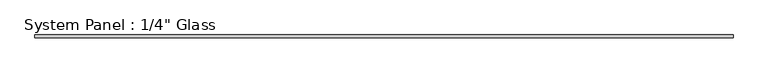
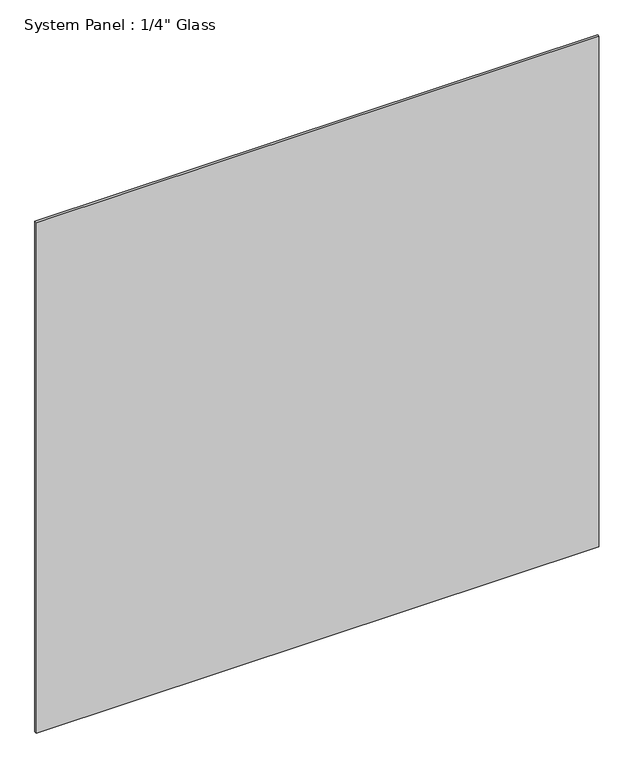
"""IFC4 building model written with IfcOpenShell, lengths in millimetres: plate geometry."""

from ifc_helpers import new_model, si_unit, origin, origin_with_axes, place, context, project, spatial, polyline, outline, extrude, source, transform, mapped, element, save


def plate_6680f529(model_context):
    return source(origin(), model_context, "Body", "SweptSolid", [
        extrude(outline(polyline([(746.1258852, -3.175), (-746.1258852, -3.175), (-746.1258852, 3.175), (746.1258852, 3.175), (746.1258852, -3.175)])), origin_with_axes(), (0.0, 0.0, 1.0), 1431.2917704),
    ])


if __name__ == "__main__":
    model = new_model("IFC4")
    model_context = context("Model", 3, world=origin())
    ifc_project = project(units=[si_unit("LENGTHUNIT", "METRE", prefix="MILLI")], contexts=[model_context])
    site = spatial("IfcSite", under=ifc_project)
    building = spatial("IfcBuilding", under=site)
    placement = place(None, origin())
    plate_shape = plate_6680f529(model_context)
    element("IfcPlate", 1, ObjectType="System Panel : 1/4\" Glass", at=placement, inside=building, context=model_context, shape_type="MappedRepresentation", body=[
        mapped(plate_shape, transform((0.0, 0.0, 0.0), x_axis=(1.0, 0.0, 0.0), y_axis=(0.0, 1.0, 0.0), z_axis=(0.0, 0.0, 1.0))),
    ])
    save(model, "model.ifc")
